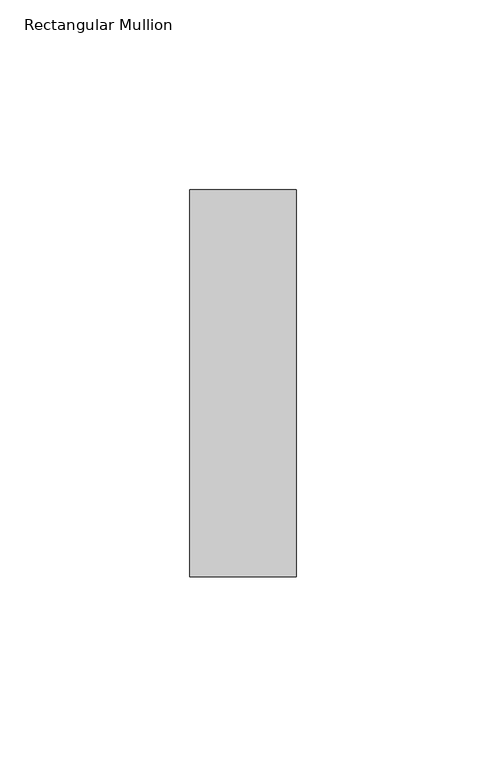
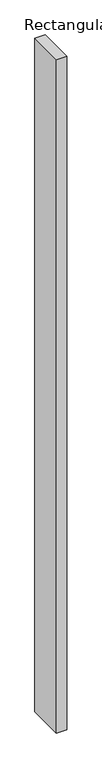
"""IFC4 building model written with IfcOpenShell, lengths in millimetres: member geometry, Rectangular Mullion."""

from ifc_helpers import new_model, si_unit, frame, origin, place, context, project, spatial, polyline, outline, extrude, source, transform, mapped, element, save


def rectangular_mullion_d4277270(model_context):
    return source(origin(), model_context, "Body", "SweptSolid", [
        extrude(outline(polyline([(0.0, -51.0), (-28.0, -51.0), (-28.0, 51.0), (0.0, 51.0), (0.0, -51.0)])), frame((0.0, 0.0, -1944.0), z_axis=(0.0, 0.0, 1.0), x_axis=(1.0, 0.0, 0.0)), (0.0, 0.0, 1.0), 1944.0),
    ])


if __name__ == "__main__":
    model = new_model("IFC4")
    model_context = context("Model", 3, world=origin())
    ifc_project = project(units=[si_unit("LENGTHUNIT", "METRE", prefix="MILLI")], contexts=[model_context])
    site = spatial("IfcSite", under=ifc_project)
    building = spatial("IfcBuilding", under=site)
    placement = place(None, origin())
    rectangular_mullion_shape = rectangular_mullion_d4277270(model_context)
    element("IfcMember", 1, ObjectType="Rectangular Mullion", at=placement, inside=building, context=model_context, shape_type="MappedRepresentation", body=[
        mapped(rectangular_mullion_shape, transform((0.0, 0.0, 0.0), x_axis=(1.0, 0.0, 0.0), y_axis=(0.0, 1.0, 0.0), z_axis=(0.0, 0.0, 1.0))),
    ])
    save(model, "model.ifc")
